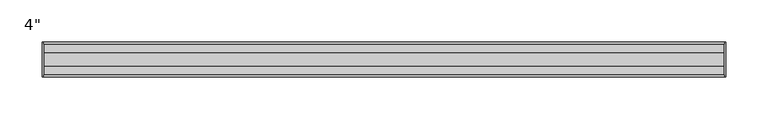
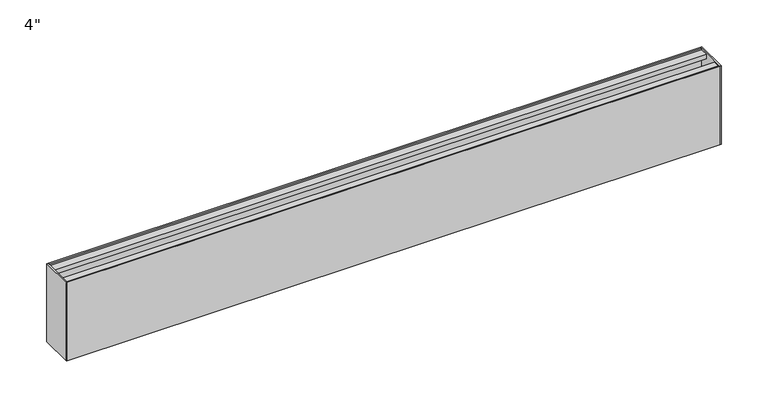
"""IFC4 building model written with IfcOpenShell, lengths in millimetres: proxy geometry."""

from ifc_helpers import new_model, si_unit, frame, origin, origin_with_axes, place, context, project, spatial, polyline, outline, extrude, source, transform, mapped, element, save


def proxy_4473f3fb(model_context):
    return source(origin(), model_context, "Body", "SweptSolid", [
        extrude(outline(polyline([(20.5, 101.6), (20.5, 0.0), (-20.5, 0.0), (-20.5, 101.6), (-18.5, 101.6), (-18.5, 99.85), (-8.5, 99.85), (-8.5, 94.2), (-9.5, 94.2), (-13.15, 97.85), (-18.5, 97.85), (-18.5, 74.45), (18.5, 74.45), (18.5, 97.85), (13.15, 97.85), (9.5, 94.2), (8.5, 94.2), (8.5, 99.85), (18.5, 99.85), (18.5, 101.6), (20.5, 101.6)]), holes=[polyline([(18.5, 72.45), (-18.5, 72.45), (-18.5, 2.0), (18.5, 2.0), (18.5, 72.45)])]), frame((1.651, 0.0, 0.0), z_axis=(1.0, 0.0, 0.0), x_axis=(0.0, 1.0, 0.0)), (0.0, 0.0, 1.0), 803.0541072),
        extrude(outline(polyline([(0.0, -20.5), (0.0, 20.5), (1.651, 20.5), (1.651, -20.5), (0.0, -20.5)])), origin_with_axes(), (0.0, 0.0, 1.0), 101.6),
        extrude(outline(polyline([(806.3561072, -20.5), (804.7051072, -20.5), (804.7051072, 20.5), (806.3561072, 20.5), (806.3561072, -20.5)])), origin_with_axes(), (0.0, 0.0, 1.0), 101.6),
    ])


if __name__ == "__main__":
    model = new_model("IFC4")
    model_context = context("Model", 3, world=origin())
    ifc_project = project(units=[si_unit("LENGTHUNIT", "METRE", prefix="MILLI")], contexts=[model_context])
    site = spatial("IfcSite", under=ifc_project)
    building = spatial("IfcBuilding", under=site)
    placement = place(None, origin())
    proxy_shape = proxy_4473f3fb(model_context)
    element("IfcBuildingElementProxy", 1, Name="4\"", ObjectType="4\"", at=placement, inside=building, context=model_context, shape_type="MappedRepresentation", body=[
        mapped(proxy_shape, transform((0.0, 0.0, 0.0), x_axis=(1.0, 0.0, 0.0), y_axis=(0.0, 1.0, 0.0), z_axis=(0.0, 0.0, 1.0))),
    ])
    save(model, "model.ifc")
